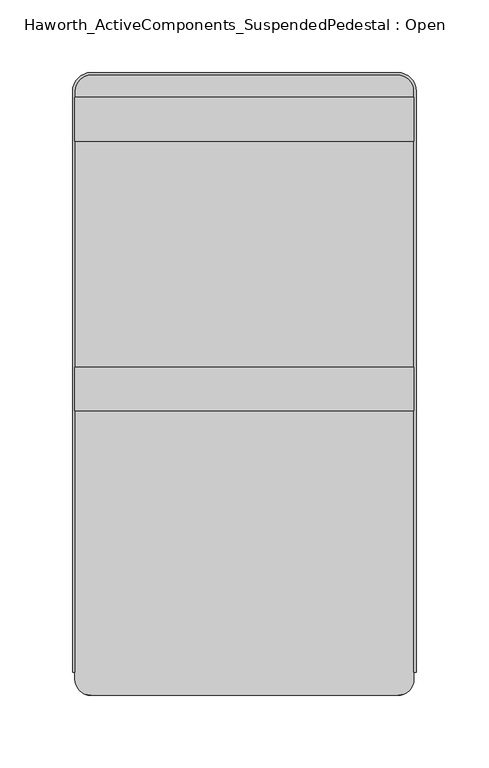
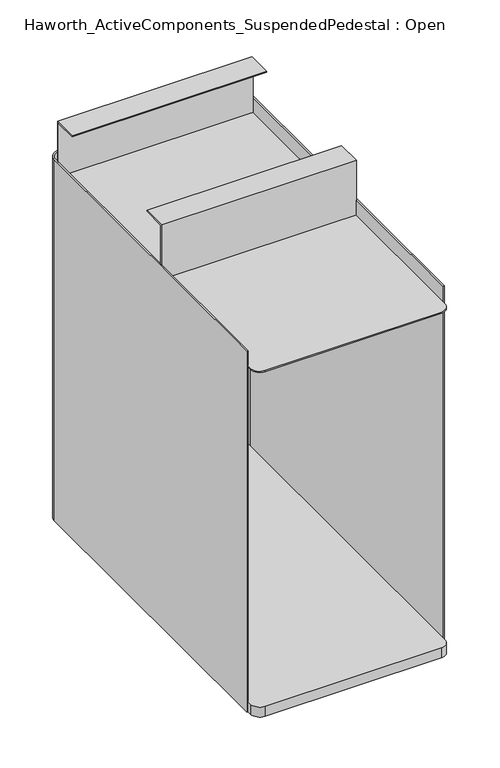
"""IFC4 building model written with IfcOpenShell, lengths in millimetres: furniture geometry, Haworth_ActiveComponents_SuspendedPedestal : Open."""

from ifc_helpers import new_model, si_unit, point, frame, frame_2d, origin, place, context, project, spatial, polyline, circle_curve, trimmed, segment, composite_curve, outline, extrude, source, transform, mapped, element, save


def haworth_activecomponents_suspendedpedestal_open_e5df7400(model_context):
    return source(origin(), model_context, "Body", "SweptSolid", [
        extrude(outline(composite_curve([segment(trimmed(circle_curve(frame_2d((105.56875, -57.15)), 11.1125), [point((105.56875, -46.0375))], [point((116.68125, -57.15))], False, "CARTESIAN"), True, "CONTINUOUS"), segment(polyline([(116.68125, -57.15), (116.68125, -461.9625)]), True, "CONTINUOUS"), segment(trimmed(circle_curve(frame_2d((105.56875, -461.9625)), 11.1125), [point((116.68125, -461.9625))], [point((105.56875, -473.075))], False, "CARTESIAN"), True, "CONTINUOUS"), segment(polyline([(105.56875, -473.075), (-105.56875, -473.075)]), True, "CONTINUOUS"), segment(trimmed(circle_curve(frame_2d((-105.56875, -461.9625)), 11.1125), [point((-105.56875, -473.075))], [point((-116.68125, -461.9625))], False, "CARTESIAN"), True, "CONTINUOUS"), segment(polyline([(-116.68125, -461.9625), (-116.68125, -57.15)]), True, "CONTINUOUS"), segment(trimmed(circle_curve(frame_2d((-105.56875, -57.15)), 11.1125), [point((-116.68125, -57.15))], [point((-105.56875, -46.0375))], False, "CARTESIAN"), True, "CONTINUOUS"), segment(polyline([(-105.56875, -46.0375), (105.56875, -46.0375)]), True, "CONTINUOUS")], self_intersect=False)), frame((0.0, 0.0, 633.4124758), z_axis=(0.0, 0.0, 1.0), x_axis=(1.0, 0.0, 0.0)), (0.0, 0.0, 1.0), 1.5875),
        extrude(outline(polyline([(-277.3171814, 634.9999758), (-277.3171814, 704.85), (-247.1546814, 704.85), (-247.1546814, 703.2625), (-275.7296814, 703.2625), (-275.7296814, 634.9999758), (-277.3171814, 634.9999758)])), frame((-116.68125, 0.0, 0.0), z_axis=(1.0, 0.0, 0.0), x_axis=(0.0, 1.0, 0.0)), (0.0, 0.0, 1.0), 233.3625),
        extrude(outline(polyline([(-61.4172056, 634.9999758), (-63.0047056, 634.9999758), (-63.0047056, 703.2625), (-91.5797056, 703.2625), (-91.5797056, 704.85), (-61.4172056, 704.85), (-61.4172056, 634.9999758)])), frame((-116.68125, 0.0, 0.0), z_axis=(1.0, 0.0, 0.0), x_axis=(0.0, 1.0, 0.0)), (0.0, 0.0, 1.0), 233.3625),
        extrude(outline(composite_curve([segment(trimmed(circle_curve(frame_2d((105.56875, -57.15)), 11.1125), [point((105.56875, -46.0375))], [point((116.68125, -57.15))], False, "CARTESIAN"), True, "CONTINUOUS"), segment(polyline([(116.68125, -57.15), (116.68125, -461.9625)]), True, "CONTINUOUS"), segment(trimmed(circle_curve(frame_2d((105.56875, -461.9625)), 11.1125), [point((116.68125, -461.9625))], [point((105.56875, -473.075))], False, "CARTESIAN"), True, "CONTINUOUS"), segment(polyline([(105.56875, -473.075), (-105.56875, -473.075)]), True, "CONTINUOUS"), segment(trimmed(circle_curve(frame_2d((-105.56875, -461.9625)), 11.1125), [point((-105.56875, -473.075))], [point((-116.68125, -461.9625))], False, "CARTESIAN"), True, "CONTINUOUS"), segment(polyline([(-116.68125, -461.9625), (-116.68125, -57.15)]), True, "CONTINUOUS"), segment(trimmed(circle_curve(frame_2d((-105.56875, -57.15)), 11.1125), [point((-116.68125, -57.15))], [point((-105.56875, -46.0375))], False, "CARTESIAN"), True, "CONTINUOUS"), segment(polyline([(-105.56875, -46.0375), (105.56875, -46.0375)]), True, "CONTINUOUS")], self_intersect=False)), frame((0.0, 0.0, 196.85), z_axis=(0.0, 0.0, 1.0), x_axis=(1.0, 0.0, 0.0)), (0.0, 0.0, 1.0), 12.7),
        extrude(outline(composite_curve([segment(trimmed(circle_curve(frame_2d((-105.56875, -57.15)), 12.7), [point((-118.26875, -57.15))], [point((-105.56875, -44.45))], False, "CARTESIAN"), True, "CONTINUOUS"), segment(polyline([(-105.56875, -44.45), (105.56875, -44.45)]), True, "CONTINUOUS"), segment(trimmed(circle_curve(frame_2d((105.56875, -57.15)), 12.7), [point((105.56875, -44.45))], [point((118.26875, -57.15))], False, "CARTESIAN"), True, "CONTINUOUS"), segment(polyline([(118.26875, -57.15), (118.26875, -457.2), (116.68125, -457.2), (116.68125, -57.15)]), True, "CONTINUOUS"), segment(trimmed(circle_curve(frame_2d((105.56875, -57.15)), 11.1125), [point((116.68125, -57.15))], [point((105.56875, -46.0375))], True, "CARTESIAN"), True, "CONTINUOUS"), segment(polyline([(105.56875, -46.0375), (-105.56875, -46.0375)]), True, "CONTINUOUS"), segment(trimmed(circle_curve(frame_2d((-105.56875, -57.15)), 11.1125), [point((-105.56875, -46.0375))], [point((-116.68125, -57.15))], True, "CARTESIAN"), True, "CONTINUOUS"), segment(polyline([(-116.68125, -57.15), (-116.68125, -457.2), (-118.26875, -457.2), (-118.26875, -57.15)]), True, "CONTINUOUS")], self_intersect=False)), frame((0.0, 0.0, 196.85), z_axis=(0.0, 0.0, 1.0), x_axis=(1.0, 0.0, 0.0)), (0.0, 0.0, 1.0), 457.2),
    ])


if __name__ == "__main__":
    model = new_model("IFC4")
    model_context = context("Model", 3, world=origin())
    ifc_project = project(units=[si_unit("LENGTHUNIT", "METRE", prefix="MILLI")], contexts=[model_context])
    site = spatial("IfcSite", under=ifc_project)
    building = spatial("IfcBuilding", under=site)
    placement = place(None, origin())
    haworth_activecomponents_suspendedpedestal_open_shape = haworth_activecomponents_suspendedpedestal_open_e5df7400(model_context)
    element("IfcFurniture", 1, ObjectType="Haworth_ActiveComponents_SuspendedPedestal : Open", at=placement, inside=building, context=model_context, shape_type="MappedRepresentation", body=[
        mapped(haworth_activecomponents_suspendedpedestal_open_shape, transform((0.0, 0.0, 0.0), x_axis=(1.0, 0.0, 0.0), y_axis=(0.0, 1.0, 0.0), z_axis=(0.0, 0.0, 1.0))),
    ])
    save(model, "model.ifc")
